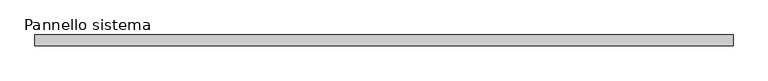
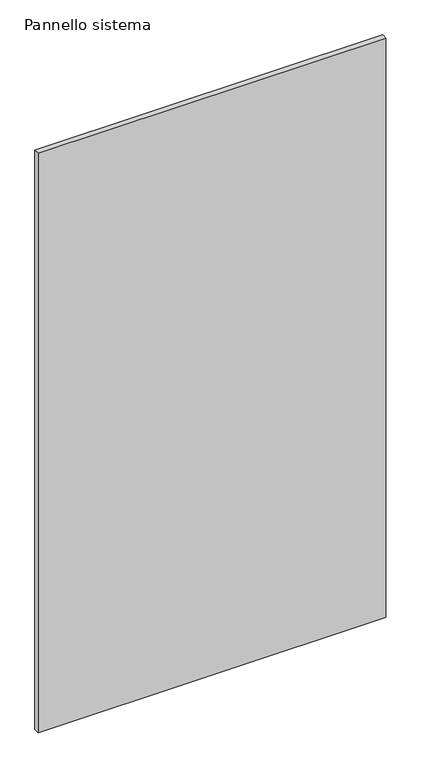
"""IFC4 building model written with IfcOpenShell, lengths in millimetres: plate geometry, Pannello sistema."""

from ifc_helpers import new_model, si_unit, origin, origin_with_axes, place, context, project, spatial, polyline, outline, extrude, source, transform, mapped, element, save


def pannello_sistema_32138219(model_context):
    return source(origin(), model_context, "Body", "SweptSolid", [
        extrude(outline(polyline([(800.0, -12.5), (-800.0, -12.5), (-800.0, 12.5), (800.0, 12.5), (800.0, -12.5)])), origin_with_axes(), (0.0, 0.0, 1.0), 2820.0),
    ])


if __name__ == "__main__":
    model = new_model("IFC4")
    model_context = context("Model", 3, world=origin())
    ifc_project = project(units=[si_unit("LENGTHUNIT", "METRE", prefix="MILLI")], contexts=[model_context])
    site = spatial("IfcSite", under=ifc_project)
    building = spatial("IfcBuilding", under=site)
    placement = place(None, origin())
    pannello_sistema_shape = pannello_sistema_32138219(model_context)
    element("IfcPlate", 1, ObjectType="Pannello sistema", at=placement, inside=building, context=model_context, shape_type="MappedRepresentation", body=[
        mapped(pannello_sistema_shape, transform((0.0, 0.0, 0.0), x_axis=(1.0, 0.0, 0.0), y_axis=(0.0, 1.0, 0.0), z_axis=(0.0, 0.0, 1.0))),
    ])
    save(model, "model.ifc")
